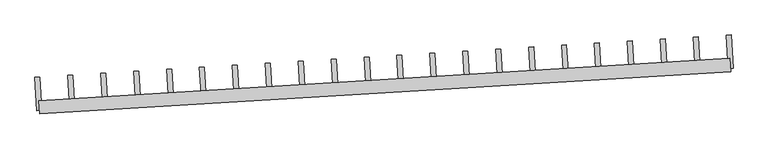
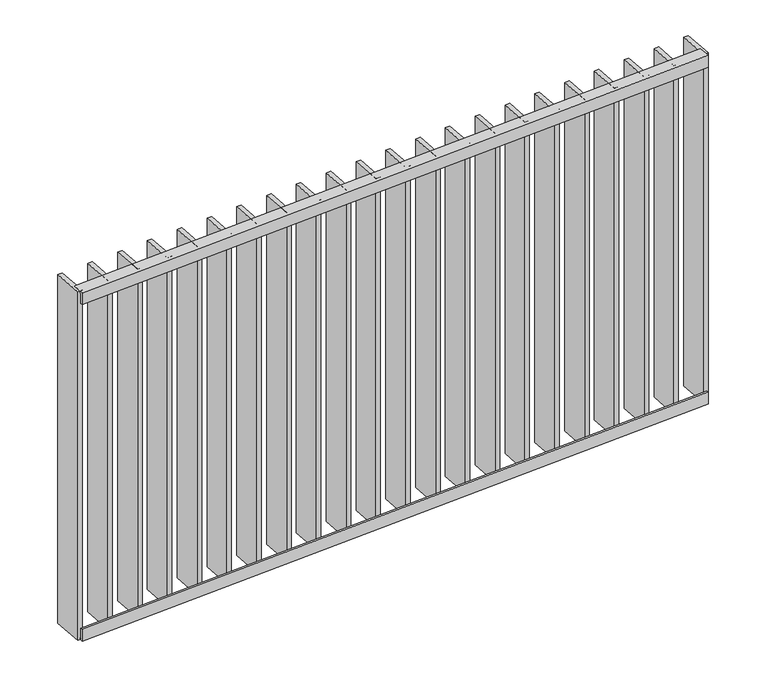
"""IFC4 building model written with IfcOpenShell, lengths in millimetres: railing geometry."""

from ifc_helpers import new_model, si_unit, frame, origin, place, context, project, spatial, polyline, outline, extrude, source, transform, mapped, element, save


def railing_2a298da1(model_context):
    return source(origin(), model_context, "Body", "SweptSolid", [
        extrude(outline(polyline([(14.0, 6.0), (14.0, 40.0), (20.0, 40.0), (20.0, 0.0), (-19.9999999, 0.0), (-19.9999999, 6.0), (14.0, 6.0)])), frame((27172.798025, 33043.1718904, 8000.0), z_axis=(0.9981347984218822, 0.06104853953460876, 0.0), x_axis=(0.06104853953460876, -0.9981347984218822, 0.0)), (0.0, 0.0, 1.0), 2080.0),
        extrude(outline(polyline([(14.0, -6.0), (-19.9999999, -6.0), (-19.9999999, 0.0), (20.0, 0.0), (20.0, -40.0), (14.0, -40.0), (14.0, -6.0)])), frame((27172.798025, 33043.1718904, 6820.0), z_axis=(0.9981347984218822, 0.06104853953460876, 0.0), x_axis=(0.06104853953460876, -0.9981347984218822, 0.0)), (0.0, 0.0, 1.0), 2080.0),
        extrude(outline(polyline([(27279.7573966, 33039.6951189), (27264.7853747, 33038.7793908), (27258.6805207, 33138.5928707), (27273.6525427, 33139.5085988), (27279.7573966, 33039.6951189)])), frame((0.0, 0.0, 6819.9), z_axis=(0.0, 0.0, 1.0), x_axis=(1.0, 0.0, 0.0)), (0.0, 0.0, 1.0), 1180.2),
        extrude(outline(polyline([(27378.6202719, 33045.7418314), (27363.6482499, 33044.8261033), (27357.543396, 33144.6395831), (27372.5154179, 33145.5553112), (27378.6202719, 33045.7418314)])), frame((0.0, 0.0, 6819.9), z_axis=(0.0, 0.0, 1.0), x_axis=(1.0, 0.0, 0.0)), (0.0, 0.0, 1.0), 1180.2),
        extrude(outline(polyline([(27477.4831472, 33051.7885439), (27462.5111252, 33050.8728158), (27456.4062712, 33150.6862956), (27471.3782932, 33151.6020237), (27477.4831472, 33051.7885439)])), frame((0.0, 0.0, 6819.9), z_axis=(0.0, 0.0, 1.0), x_axis=(1.0, 0.0, 0.0)), (0.0, 0.0, 1.0), 1180.2),
        extrude(outline(polyline([(27576.3460224, 33057.8352564), (27561.3740005, 33056.9195283), (27555.2691465, 33156.7330081), (27570.2411685, 33157.6487362), (27576.3460224, 33057.8352564)])), frame((0.0, 0.0, 6819.9), z_axis=(0.0, 0.0, 1.0), x_axis=(1.0, 0.0, 0.0)), (0.0, 0.0, 1.0), 1180.2),
        extrude(outline(polyline([(27675.2088977, 33063.8819689), (27660.2368757, 33062.9662408), (27654.1320218, 33162.7797206), (27669.1040438, 33163.6954487), (27675.2088977, 33063.8819689)])), frame((0.0, 0.0, 6819.9), z_axis=(0.0, 0.0, 1.0), x_axis=(1.0, 0.0, 0.0)), (0.0, 0.0, 1.0), 1180.2),
        extrude(outline(polyline([(27774.071773, 33069.9286813), (27759.099751, 33069.0129533), (27752.9948971, 33168.8264331), (27767.966919, 33169.7421612), (27774.071773, 33069.9286813)])), frame((0.0, 0.0, 6819.9), z_axis=(0.0, 0.0, 1.0), x_axis=(1.0, 0.0, 0.0)), (0.0, 0.0, 1.0), 1180.2),
        extrude(outline(polyline([(27872.9346483, 33075.9753938), (27857.9626263, 33075.0596657), (27851.8577723, 33174.8731456), (27866.8297943, 33175.7888737), (27872.9346483, 33075.9753938)])), frame((0.0, 0.0, 6819.9), z_axis=(0.0, 0.0, 1.0), x_axis=(1.0, 0.0, 0.0)), (0.0, 0.0, 1.0), 1180.2),
        extrude(outline(polyline([(27971.7975235, 33082.0221063), (27956.8255016, 33081.1063782), (27950.7206476, 33180.9198581), (27965.6926696, 33181.8355862), (27971.7975235, 33082.0221063)])), frame((0.0, 0.0, 6819.9), z_axis=(0.0, 0.0, 1.0), x_axis=(1.0, 0.0, 0.0)), (0.0, 0.0, 1.0), 1180.2),
        extrude(outline(polyline([(28070.6603988, 33088.0688188), (28055.6883768, 33087.1530907), (28049.5835229, 33186.9665706), (28064.5555449, 33187.8822986), (28070.6603988, 33088.0688188)])), frame((0.0, 0.0, 6819.9), z_axis=(0.0, 0.0, 1.0), x_axis=(1.0, 0.0, 0.0)), (0.0, 0.0, 1.0), 1180.2),
        extrude(outline(polyline([(28169.5232741, 33094.1155313), (28154.5512521, 33093.1998032), (28148.4463982, 33193.013283), (28163.4184201, 33193.9290111), (28169.5232741, 33094.1155313)])), frame((0.0, 0.0, 6819.9), z_axis=(0.0, 0.0, 1.0), x_axis=(1.0, 0.0, 0.0)), (0.0, 0.0, 1.0), 1180.2),
        extrude(outline(polyline([(28268.3861494, 33100.1622438), (28253.4141274, 33099.2465157), (28247.3092734, 33199.0599955), (28262.2812954, 33199.9757236), (28268.3861494, 33100.1622438)])), frame((0.0, 0.0, 6819.9), z_axis=(0.0, 0.0, 1.0), x_axis=(1.0, 0.0, 0.0)), (0.0, 0.0, 1.0), 1180.2),
        extrude(outline(polyline([(28367.2490246, 33106.2089563), (28352.2770026, 33105.2932282), (28346.1721487, 33205.106708), (28361.1441707, 33206.0224361), (28367.2490246, 33106.2089563)])), frame((0.0, 0.0, 6819.9), z_axis=(0.0, 0.0, 1.0), x_axis=(1.0, 0.0, 0.0)), (0.0, 0.0, 1.0), 1180.2),
        extrude(outline(polyline([(28466.1118999, 33112.2556688), (28451.1398779, 33111.3399407), (28445.035024, 33211.1534205), (28460.0070459, 33212.0691486), (28466.1118999, 33112.2556688)])), frame((0.0, 0.0, 6819.9), z_axis=(0.0, 0.0, 1.0), x_axis=(1.0, 0.0, 0.0)), (0.0, 0.0, 1.0), 1180.2),
        extrude(outline(polyline([(28564.9747752, 33118.3023812), (28550.0027532, 33117.3866532), (28543.8978992, 33217.200133), (28558.8699212, 33218.1158611), (28564.9747752, 33118.3023812)])), frame((0.0, 0.0, 6819.9), z_axis=(0.0, 0.0, 1.0), x_axis=(1.0, 0.0, 0.0)), (0.0, 0.0, 1.0), 1180.2),
        extrude(outline(polyline([(28663.8376504, 33124.3490937), (28648.8656285, 33123.4333656), (28642.7607745, 33223.2468455), (28657.7327965, 33224.1625736), (28663.8376504, 33124.3490937)])), frame((0.0, 0.0, 6819.9), z_axis=(0.0, 0.0, 1.0), x_axis=(1.0, 0.0, 0.0)), (0.0, 0.0, 1.0), 1180.2),
        extrude(outline(polyline([(28762.7005257, 33130.3958062), (28747.7285037, 33129.4800781), (28741.6236498, 33229.293558), (28756.5956718, 33230.2092861), (28762.7005257, 33130.3958062)])), frame((0.0, 0.0, 6819.9), z_axis=(0.0, 0.0, 1.0), x_axis=(1.0, 0.0, 0.0)), (0.0, 0.0, 1.0), 1180.2),
        extrude(outline(polyline([(28861.563401, 33136.4425187), (28846.591379, 33135.5267906), (28840.4865251, 33235.3402705), (28855.458547, 33236.2559985), (28861.563401, 33136.4425187)])), frame((0.0, 0.0, 6819.9), z_axis=(0.0, 0.0, 1.0), x_axis=(1.0, 0.0, 0.0)), (0.0, 0.0, 1.0), 1180.2),
        extrude(outline(polyline([(28960.4262763, 33142.4892312), (28945.4542543, 33141.5735031), (28939.3494003, 33241.3869829), (28954.3214223, 33242.302711), (28960.4262763, 33142.4892312)])), frame((0.0, 0.0, 6819.9), z_axis=(0.0, 0.0, 1.0), x_axis=(1.0, 0.0, 0.0)), (0.0, 0.0, 1.0), 1180.2),
        extrude(outline(polyline([(29059.2891515, 33148.5359437), (29044.3171296, 33147.6202156), (29038.2122756, 33247.4336954), (29053.1842976, 33248.3494235), (29059.2891515, 33148.5359437)])), frame((0.0, 0.0, 6819.9), z_axis=(0.0, 0.0, 1.0), x_axis=(1.0, 0.0, 0.0)), (0.0, 0.0, 1.0), 1180.2),
        extrude(outline(polyline([(29158.1520268, 33154.5826562), (29143.1800048, 33153.6669281), (29137.0751509, 33253.4804079), (29152.0471728, 33254.396136), (29158.1520268, 33154.5826562)])), frame((0.0, 0.0, 6819.9), z_axis=(0.0, 0.0, 1.0), x_axis=(1.0, 0.0, 0.0)), (0.0, 0.0, 1.0), 1180.2),
        extrude(outline(polyline([(27180.8945214, 33033.6484064), (27165.9224994, 33032.7326783), (27159.8176454, 33132.5461582), (27174.7896674, 33133.4618863), (27180.8945214, 33033.6484064)])), frame((0.0, 0.0, 6819.9), z_axis=(0.0, 0.0, 1.0), x_axis=(1.0, 0.0, 0.0)), (0.0, 0.0, 1.0), 1180.2),
        extrude(outline(polyline([(29257.0149021, 33160.6293687), (29242.0428801, 33159.7136406), (29235.9380261, 33259.5271204), (29250.9100481, 33260.4428485), (29257.0149021, 33160.6293687)])), frame((0.0, 0.0, 6819.9), z_axis=(0.0, 0.0, 1.0), x_axis=(1.0, 0.0, 0.0)), (0.0, 0.0, 1.0), 1180.2),
    ])


if __name__ == "__main__":
    model = new_model("IFC4")
    model_context = context("Model", 3, world=origin())
    ifc_project = project(units=[si_unit("LENGTHUNIT", "METRE", prefix="MILLI")], contexts=[model_context])
    site = spatial("IfcSite", under=ifc_project)
    building = spatial("IfcBuilding", under=site)
    placement = place(None, origin())
    railing_shape = railing_2a298da1(model_context)
    element("IfcRailing", 1, at=placement, inside=building, context=model_context, shape_type="MappedRepresentation", body=[
        mapped(railing_shape, transform((0.0, 0.0, 0.0), x_axis=(1.0, 0.0, 0.0), y_axis=(0.0, 1.0, 0.0), z_axis=(0.0, 0.0, 1.0))),
    ])
    save(model, "model.ifc")
